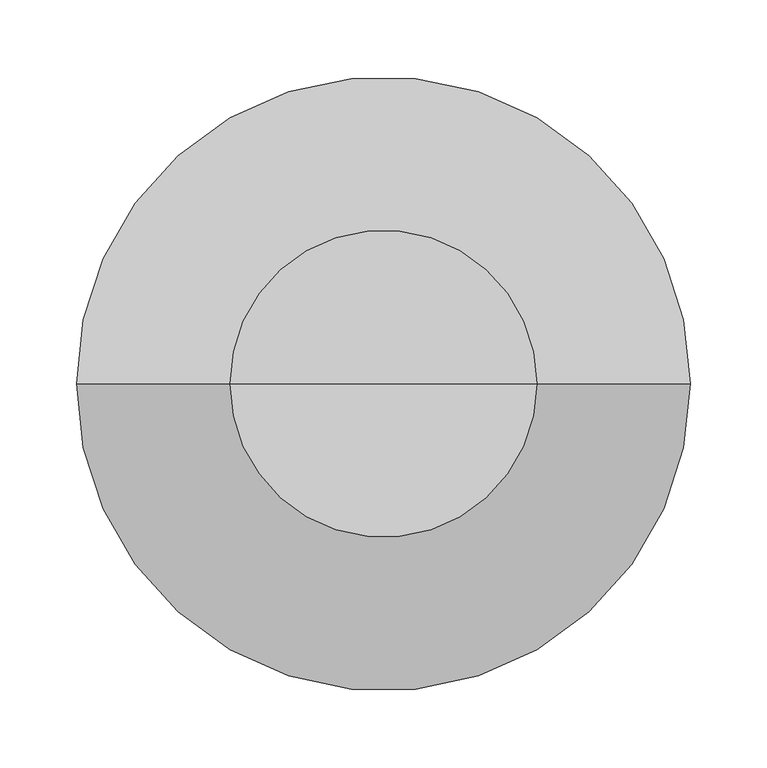
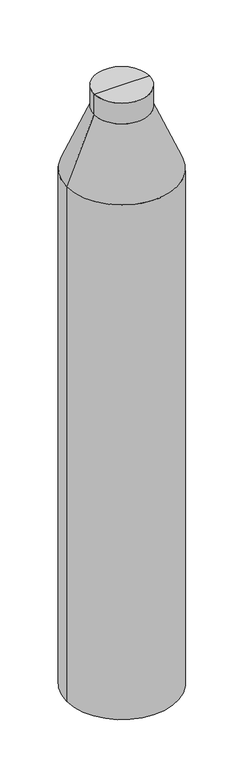
"""IFC4 building model written with IfcOpenShell, lengths in millimetres: column geometry."""

from ifc_helpers import new_model, si_unit, frame, origin, place, context, project, spatial, polyline, circle_curve, source, transform, mapped, element, save
from ifc_brep_helpers import plane_surface, cylinder_surface, revolved_surface, advanced_brep


def column_5d83497f(model_context):
    return source(origin(), model_context, "Body", "AdvancedBrep", [
        advanced_brep(
        [(-200.0, 0.0, -629.125), (200.0, 0.0, -629.125), (200.0, 0.0, -2599.125), (-200.0, 0.0, -2599.125), (0.0, 0.0, -2599.125), (-100.0, 0.0, -389.125), (100.0, 0.0, -389.125), (-100.0, 0.0, -309.125), (100.0, 0.0, -309.125), (0.0, 0.0, -309.125)],
        [
            (0, 1, circle_curve(frame((0.0, 0.0, -629.125), z_axis=(0.0, 0.0, -1.0), x_axis=(1.0, 0.0, 0.0)), 200.0)),
            (1, 2),
            (2, 3, circle_curve(frame((0.0, 0.0, -2599.125), z_axis=(0.0, 0.0, 1.0), x_axis=(1.0, 0.0, 0.0)), 200.0)),
            (3, 0),
            (2, 4),
            (4, 3),
            (2, 3, circle_curve(frame((0.0, 0.0, -2599.125), z_axis=(0.0, 0.0, -1.0), x_axis=(1.0, 0.0, 0.0)), 200.0)),
            (1, 0, circle_curve(frame((0.0, 0.0, -629.125), z_axis=(0.0, 0.0, -1.0), x_axis=(1.0, 0.0, 0.0)), 200.0)),
            (5, 6, circle_curve(frame((0.0, 0.0, -389.125), z_axis=(0.0, 0.0, -1.0), x_axis=(1.0, 0.0, 0.0)), 100.0)),
            (6, 1),
            (0, 5),
            (6, 5, circle_curve(frame((0.0, 0.0, -389.125), z_axis=(0.0, 0.0, -1.0), x_axis=(1.0, 0.0, 0.0)), 100.0)),
            (7, 8, circle_curve(frame((0.0, 0.0, -309.125), z_axis=(0.0, 0.0, -1.0), x_axis=(1.0, 0.0, 0.0)), 100.0)),
            (8, 6),
            (5, 7),
            (8, 7, circle_curve(frame((0.0, 0.0, -309.125), z_axis=(0.0, 0.0, -1.0), x_axis=(1.0, 0.0, 0.0)), 100.0)),
            (9, 8),
            (7, 9),
        ],
        [
            cylinder_surface(frame((0.0, 0.0, -667.8940014), z_axis=(0.0, 0.0, 1.0), x_axis=(1.0, 0.0, 0.0)), 200.0),
            plane_surface(frame((0.0, 0.0, -2599.125), z_axis=(0.0, 0.0, -1.0), x_axis=(1.0, 0.0, 0.0))),
            revolved_surface(polyline([(200.0, 0.0, -629.125), (100.0, 0.0, -389.125)]), (0.0, 0.0, -667.8940014), (0.0, 0.0, 1.0)),
            cylinder_surface(frame((0.0, 0.0, -667.8940014), z_axis=(0.0, 0.0, 1.0), x_axis=(1.0, 0.0, 0.0)), 100.0),
            plane_surface(frame((0.0, 0.0, -309.125), z_axis=(0.0, 0.0, 1.0), x_axis=(1.0, 0.0, 0.0))),
        ],
        [
            (0, [[1, 2, 3, 4]]),
            (1, [[-3, 5, 6]]),
            (1, [[7, -6, -5]]),
            (0, [[8, -4, -7, -2]]),
            (2, [[9, 10, -1, 11]]),
            (2, [[12, -11, -8, -10]]),
            (3, [[13, 14, -9, 15]]),
            (3, [[16, -15, -12, -14]]),
            (4, [[17, -13, 18]]),
            (4, [[-18, -16, -17]]),
        ],
    ),
    ])


if __name__ == "__main__":
    model = new_model("IFC4")
    model_context = context("Model", 3, world=origin())
    ifc_project = project(units=[si_unit("LENGTHUNIT", "METRE", prefix="MILLI")], contexts=[model_context])
    site = spatial("IfcSite", under=ifc_project)
    building = spatial("IfcBuilding", under=site)
    placement = place(None, origin())
    column_shape = column_5d83497f(model_context)
    element("IfcColumn", 1, at=placement, inside=building, context=model_context, shape_type="MappedRepresentation", body=[
        mapped(column_shape, transform((0.0, 0.0, 0.0), x_axis=(1.0, 0.0, 0.0), y_axis=(0.0, 1.0, 0.0), z_axis=(0.0, 0.0, 1.0))),
    ])
    save(model, "model.ifc")
